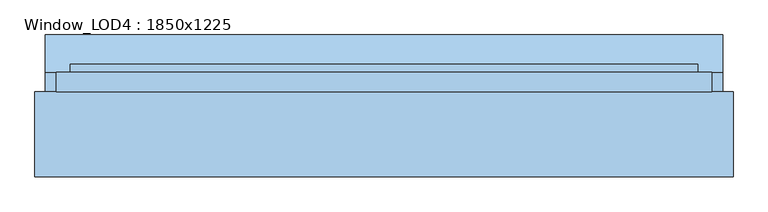
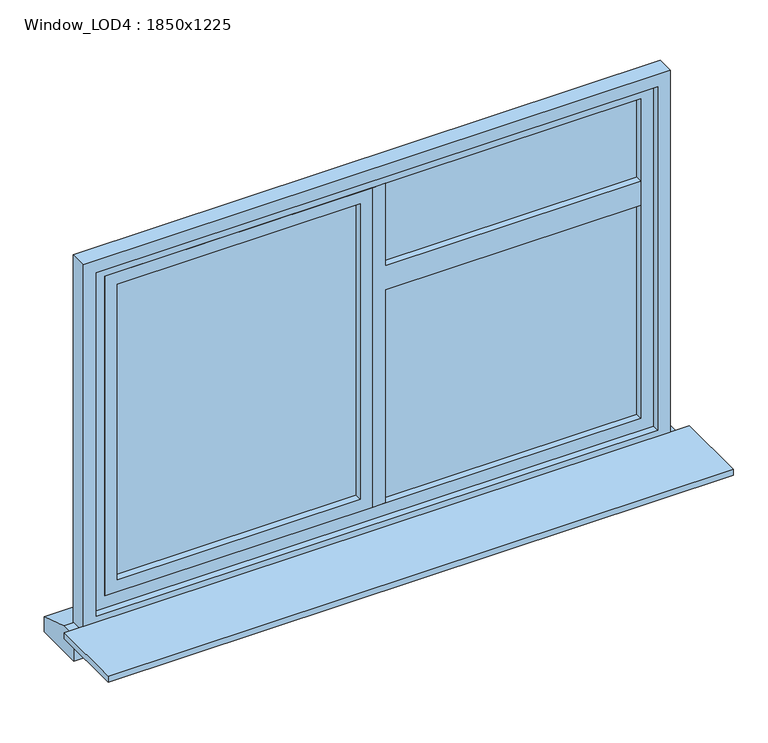
"""IFC4 building model written with IfcOpenShell, lengths in millimetres: window geometry, Window_LOD4 : 1850x1225."""

from ifc_helpers import new_model, si_unit, frame, origin, place, context, project, spatial, polyline, outline, extrude, source, transform, mapped, element, save


def window_lod4_1850x1225_c53fef95(model_context):
    return source(origin(), model_context, "Body", "SweptSolid", [
        extrude(outline(polyline([(1590.0, 40.0), (1590.0, 845.000037), (1670.0, 845.000037), (1670.0, 40.0), (1945.0000491, 40.0), (1945.0000491, 0.0), (880.0, 0.0), (880.0, 40.0), (1590.0, 40.0)])), frame((0.0, 50.0, 0.0), z_axis=(0.0, 1.0, 0.0), x_axis=(0.0, 0.0, 1.0)), (0.0, 0.0, 1.0), 55.0),
        extrude(outline(polyline([(1945.0000491, 0.0), (1945.0000491, -845.000037), (880.0, -845.000037), (880.0, 0.0), (1945.0000491, 0.0)]), holes=[polyline([(1905.0000491, -40.0), (920.0, -40.0), (920.0, -805.000037), (1905.0000491, -805.000037), (1905.0000491, -40.0)])]), frame((0.0, 50.0, 0.0), z_axis=(0.0, 1.0, 0.0), x_axis=(0.0, 0.0, 1.0)), (0.0, 0.0, 1.0), 55.0),
        extrude(outline(polyline([(845.000037, 72.5), (40.0, 72.5), (40.0, 82.5), (845.000037, 82.5), (845.000037, 72.5)])), frame((0.0, 0.0, 880.0), z_axis=(0.0, 0.0, 1.0), x_axis=(1.0, 0.0, 0.0)), (0.0, 0.0, 1.0), 1065.0000491),
        extrude(outline(polyline([(1985.0000491, -885.000037), (840.0, -885.000037), (840.0, 885.000037), (1985.0000491, 885.000037), (1985.0000491, -885.000037)]), holes=[polyline([(1945.0000491, -845.000037), (1945.0000491, 845.000037), (880.0, 845.000037), (880.0, -845.000037), (1945.0000491, -845.000037)])]), frame((0.0, 50.0, 0.0), z_axis=(0.0, 1.0, 0.0), x_axis=(0.0, 0.0, 1.0)), (0.0, 0.0, 1.0), 55.0),
        extrude(outline(polyline([(-40.0, 72.5), (-845.000037, 72.5), (-845.000037, 82.5), (-40.0, 82.5), (-40.0, 72.5)])), frame((0.0, 0.0, 880.0), z_axis=(0.0, 0.0, 1.0), x_axis=(1.0, 0.0, 0.0)), (0.0, 0.0, 1.0), 1065.0000491),
        extrude(outline(polyline([(82.5, 800.0), (188.235436, 765.0), (188.235436, 715.0), (27.5, 715.0), (27.5, 800.0), (82.5, 800.0)])), frame((-955.8151868, 0.0, 0.0), z_axis=(1.0, 0.0, 0.0), x_axis=(0.0, 1.0, 0.0)), (0.0, 0.0, 1.0), 1911.6303737),
        extrude(outline(polyline([(2025.0000491, -925.000037), (800.0, -925.000037), (800.0, 925.000037), (2025.0000491, 925.000037), (2025.0000491, -925.000037)]), holes=[polyline([(1985.0000491, -885.000037), (1985.0000491, 885.000037), (840.0, 885.000037), (840.0, -885.000037), (1985.0000491, -885.000037)])]), frame((0.0, 27.5, 0.0), z_axis=(0.0, 1.0, 0.0), x_axis=(0.0, 0.0, 1.0)), (0.0, 0.0, 1.0), 55.0),
        extrude(outline(polyline([(985.000037, 27.5), (985.000037, -211.5869042), (-985.000037, -211.5869042), (-985.000037, 27.5), (985.000037, 27.5)])), frame((0.0, 0.0, 800.0), z_axis=(0.0, 0.0, 1.0), x_axis=(1.0, 0.0, 0.0)), (0.0, 0.0, 1.0), 20.0),
    ])


if __name__ == "__main__":
    model = new_model("IFC4")
    model_context = context("Model", 3, world=origin())
    ifc_project = project(units=[si_unit("LENGTHUNIT", "METRE", prefix="MILLI")], contexts=[model_context])
    site = spatial("IfcSite", under=ifc_project)
    building = spatial("IfcBuilding", under=site)
    placement = place(None, origin())
    window_lod4_1850x1225_shape = window_lod4_1850x1225_c53fef95(model_context)
    element("IfcWindow", 1, ObjectType="Window_LOD4 : 1850x1225", at=placement, inside=building, context=model_context, shape_type="MappedRepresentation", body=[
        mapped(window_lod4_1850x1225_shape, transform((0.0, 0.0, 0.0), x_axis=(1.0, 0.0, 0.0), y_axis=(0.0, 1.0, 0.0), z_axis=(0.0, 0.0, 1.0))),
    ])
    save(model, "model.ifc")
